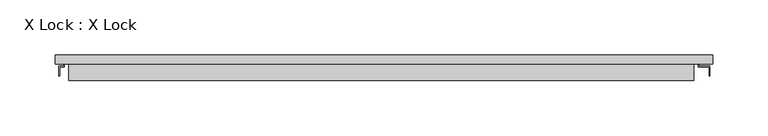
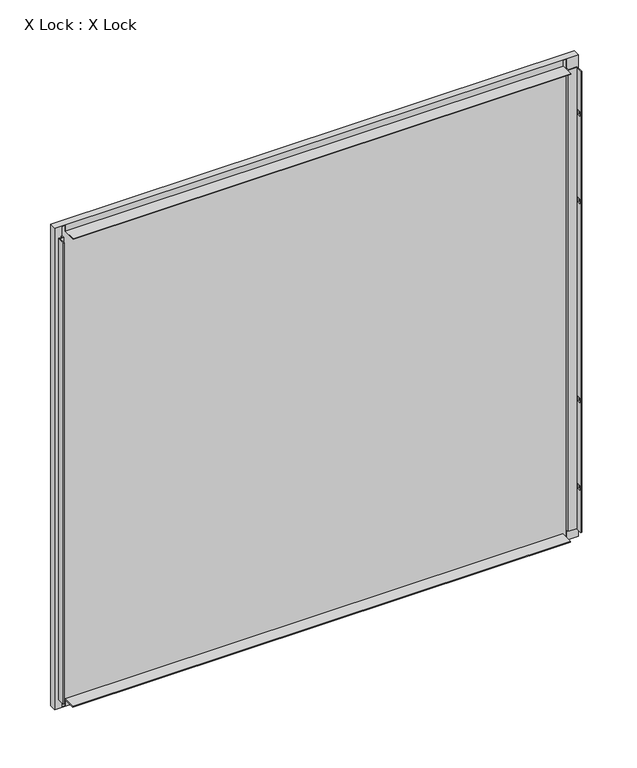
"""IFC4 building model written with IfcOpenShell, lengths in millimetres: plate geometry, X Lock : X Lock."""

from ifc_helpers import new_model, si_unit, frame, origin, place, context, project, spatial, polyline, outline, extrude, faceted_brep, source, transform, mapped, element, save


def x_lock_x_lock_6ccac2b3(model_context):
    return source(origin(), model_context, "Body", "SolidModel", [
        extrude(outline(polyline([(290.0, 7.2), (-285.0, 7.2), (-285.0, 8.0), (290.0, 8.0), (290.0, 7.2)])), frame((0.0, 0.0, 3.0), z_axis=(0.0, 0.0, 1.0), x_axis=(1.0, 0.0, 0.0)), (0.0, 0.0, 1.0), 558.0),
        faceted_brep([(300.0, 8.0, 571.0), (-295.0, 8.0, 571.0), (-295.0, 0.0, 571.0), (300.0, 0.0, 571.0), (-295.0, 8.0, -7.0), (-295.0, 0.0, -7.0), (300.0, 8.0, -7.0), (300.0, 0.0, -7.0), (299.2, 7.2, 570.2), (299.2, 7.2, -6.2), (299.2, 0.8, -6.2), (299.2, 0.8, 570.2), (-294.2, 7.2, -6.2), (-294.2, 0.8, -6.2), (-286.7, 0.8, -6.2), (-286.7, 0.0, -6.2), (-283.0, 0.0, -6.2), (-283.0, 0.8, -6.2), (283.0, 0.8, -6.2), (283.0, 0.0, -6.2), (286.7, 0.0, -6.2), (286.7, 0.8, -6.2), (-294.2, 7.2, 570.2), (-294.2, 0.8, 570.2), (286.7, 0.8, 570.2), (286.7, 0.0, 570.2), (283.0, 0.0, 570.2), (283.0, 0.8, 570.2), (-283.0, 0.8, 570.2), (-283.0, 0.0, 570.2), (-286.7, 0.0, 570.2), (-286.7, 0.8, 570.2), (-285.0, 7.2, 561.0), (290.0, 7.2, 561.0), (290.0, 7.2, 3.0), (-285.0, 7.2, 3.0), (-285.0, 8.0, 561.0), (-285.0, 8.0, 3.0), (290.0, 8.0, 3.0), (290.0, 8.0, 561.0), (286.7, -2.7949633, 559.0), (296.7, -2.7949633, 559.0), (296.7, -11.0, 559.0), (297.5, -11.0, 559.0), (297.5, -2.0, 559.0), (287.5, -2.0, 559.0), (287.5, 0.0, 559.0), (286.7, 0.0, 559.0), (287.5, 0.0, 5.0), (287.5, -2.0, 5.0), (297.5, -2.0, 5.0), (297.5, -11.0, 5.0), (296.7, -11.0, 5.0), (296.7, -2.7949633, 5.0), (286.7, -2.7949633, 5.0), (286.7, 0.0, 5.0), (296.7, -5.0, 404.0), (296.7, -9.0, 404.0), (296.7, -9.0, 399.0), (296.7, -5.0, 399.0), (296.7, -5.0, 60.0), (296.7, -9.0, 60.0), (296.7, -9.0, 55.0), (296.7, -5.0, 55.0), (296.7, -5.0, 509.0), (296.7, -9.0, 509.0), (296.7, -9.0, 504.0), (296.7, -5.0, 504.0), (296.7, -5.0, 165.0), (296.7, -9.0, 165.0), (296.7, -9.0, 160.0), (296.7, -5.0, 160.0), (297.5, -9.0, 404.0), (297.5, -5.0, 404.0), (297.5, -5.0, 399.0), (297.5, -9.0, 399.0), (297.5, -9.0, 60.0), (297.5, -5.0, 60.0), (297.5, -5.0, 55.0), (297.5, -9.0, 55.0), (297.5, -9.0, 509.0), (297.5, -5.0, 509.0), (297.5, -5.0, 504.0), (297.5, -9.0, 504.0), (297.5, -9.0, 165.0), (297.5, -5.0, 165.0), (297.5, -5.0, 160.0), (297.5, -9.0, 160.0), (-287.5, 0.0, 559.0), (-287.5, -2.0, 559.0), (-291.7, -2.0, 559.0), (-291.7, -11.0, 559.0), (-290.9, -11.0, 559.0), (-290.9, -2.7949633, 559.0), (-286.7, -2.7949633, 559.0), (-286.7, 0.0, 559.0), (-286.7, -2.7949633, 5.0), (-290.9, -2.7949633, 5.0), (-290.9, -11.0, 5.0), (-291.7, -11.0, 5.0), (-291.7, -2.0, 5.0), (-287.5, -2.0, 5.0), (-287.5, 0.0, 5.0), (-286.7, 0.0, 5.0), (-283.0, 0.8, 562.7), (-283.0, -15.0, 562.7), (-283.0, -15.0, 563.5), (-283.0, 0.0, 563.5), (283.0, 0.0, 563.5), (283.0, -15.0, 563.5), (283.0, -15.0, 562.7), (283.0, 0.8, 562.7), (-283.0, 0.0, 0.5), (-283.0, -14.2, 0.5), (-283.0, -14.2, 1.3), (-283.0, 0.8, 1.3), (283.0, 0.8, 1.3), (283.0, -14.2, 1.3), (283.0, -14.2, 0.5), (283.0, 0.0, 0.5)], [[[0, 1, 2, 3]], [[1, 4, 5, 2]], [[4, 6, 7, 5]], [[8, 9, 10, 11]], [[9, 12, 13, 14, 15, 16, 17, 18, 19, 20, 21, 10]], [[12, 22, 23, 13]], [[22, 8, 11, 24, 25, 26, 27, 28, 29, 30, 31, 23]], [[9, 8, 22, 12], [32, 33, 34, 35]], [[1, 0, 6, 4], [36, 37, 38, 39]], [[33, 32, 36, 39]], [[34, 33, 39, 38]], [[35, 34, 38, 37]], [[32, 35, 37, 36]], [[40, 41, 42, 43, 44, 45, 46, 47]], [[48, 49, 50, 51, 52, 53, 54, 55]], [[14, 13, 23, 31]], [[10, 21, 24, 11]], [[54, 40, 47, 25, 24, 21, 20, 55]], [[41, 40, 54, 53]], [[42, 41, 53, 52], [56, 57, 58, 59], [60, 61, 62, 63], [64, 65, 66, 67], [68, 69, 70, 71]], [[43, 42, 52, 51]], [[44, 43, 51, 50], [72, 73, 74, 75], [76, 77, 78, 79], [80, 81, 82, 83], [84, 85, 86, 87]], [[45, 44, 50, 49]], [[46, 45, 49, 48]], [[88, 89, 90, 91, 92, 93, 94, 95]], [[96, 97, 98, 99, 100, 101, 102, 103]], [[94, 96, 103, 15, 14, 31, 30, 95]], [[94, 93, 97, 96]], [[93, 92, 98, 97]], [[92, 91, 99, 98]], [[91, 90, 100, 99]], [[90, 89, 101, 100]], [[89, 88, 102, 101]], [[104, 105, 106, 107, 29, 28]], [[108, 109, 110, 111, 27, 26]], [[111, 104, 28, 27]], [[105, 104, 111, 110]], [[107, 106, 109, 108]], [[112, 113, 114, 115, 17, 16]], [[116, 117, 118, 119, 19, 18]], [[113, 112, 119, 118]], [[115, 114, 117, 116]], [[115, 116, 18, 17]], [[3, 7, 6, 0]], [[7, 3, 2, 5], [46, 48, 55, 20, 19, 119, 112, 16, 15, 103, 102, 88, 95, 30, 29, 107, 108, 26, 25, 47]], [[56, 73, 72, 57]], [[57, 72, 75, 58]], [[58, 75, 74, 59]], [[73, 56, 59, 74]], [[76, 61, 60, 77]], [[61, 76, 79, 62]], [[62, 79, 78, 63]], [[77, 60, 63, 78]], [[106, 105, 110, 109]], [[114, 113, 118, 117]], [[64, 81, 80, 65]], [[65, 80, 83, 66]], [[66, 83, 82, 67]], [[81, 64, 67, 82]], [[68, 85, 84, 69]], [[69, 84, 87, 70]], [[70, 87, 86, 71]], [[85, 68, 71, 86]]]),
        extrude(outline(polyline([(299.2, 5.5297993), (-294.2, 5.5297993), (-294.2, 7.2), (299.2, 7.2), (299.2, 5.5297993)])), frame((0.0, 0.0, -6.2), z_axis=(0.0, 0.0, 1.0), x_axis=(1.0, 0.0, 0.0)), (0.0, 0.0, 1.0), 576.4),
    ])


if __name__ == "__main__":
    model = new_model("IFC4")
    model_context = context("Model", 3, world=origin())
    ifc_project = project(units=[si_unit("LENGTHUNIT", "METRE", prefix="MILLI")], contexts=[model_context])
    site = spatial("IfcSite", under=ifc_project)
    building = spatial("IfcBuilding", under=site)
    placement = place(None, origin())
    x_lock_x_lock_shape = x_lock_x_lock_6ccac2b3(model_context)
    element("IfcPlate", 1, ObjectType="X Lock : X Lock", at=placement, inside=building, context=model_context, shape_type="MappedRepresentation", body=[
        mapped(x_lock_x_lock_shape, transform((0.0, 0.0, 0.0), x_axis=(1.0, 0.0, 0.0), y_axis=(0.0, 1.0, 0.0), z_axis=(0.0, 0.0, 1.0))),
    ])
    save(model, "model.ifc")
